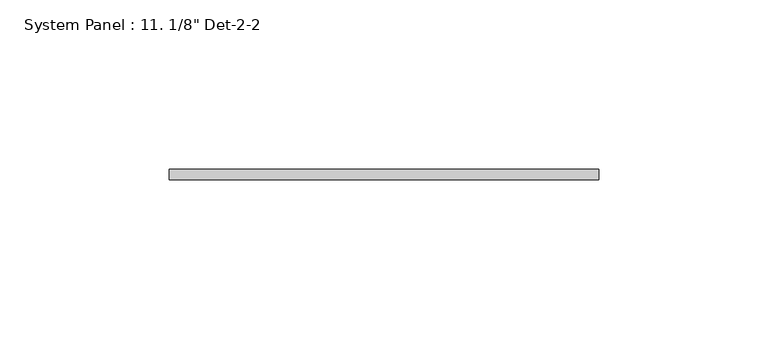
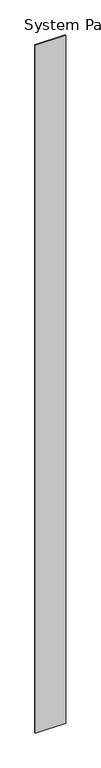
"""IFC4 building model written with IfcOpenShell, lengths in millimetres: plate geometry."""

from ifc_helpers import new_model, si_unit, origin, origin_with_axes, place, context, project, spatial, polyline, outline, extrude, source, transform, mapped, element, save


def plate_815af60f(model_context):
    return source(origin(), model_context, "Body", "SweptSolid", [
        extrude(outline(polyline([(63.5, 5.55625), (-63.5, 5.55625), (-63.5, 8.73125), (63.5, 8.73125), (63.5, 5.55625)])), origin_with_axes(), (0.0, 0.0, 1.0), 3048.0),
    ])


if __name__ == "__main__":
    model = new_model("IFC4")
    model_context = context("Model", 3, world=origin())
    ifc_project = project(units=[si_unit("LENGTHUNIT", "METRE", prefix="MILLI")], contexts=[model_context])
    site = spatial("IfcSite", under=ifc_project)
    building = spatial("IfcBuilding", under=site)
    placement = place(None, origin())
    plate_shape = plate_815af60f(model_context)
    element("IfcPlate", 1, ObjectType="System Panel : 11. 1/8\" Det-2-2", at=placement, inside=building, context=model_context, shape_type="MappedRepresentation", body=[
        mapped(plate_shape, transform((0.0, 0.0, 0.0), x_axis=(1.0, 0.0, 0.0), y_axis=(0.0, 1.0, 0.0), z_axis=(0.0, 0.0, 1.0))),
    ])
    save(model, "model.ifc")
